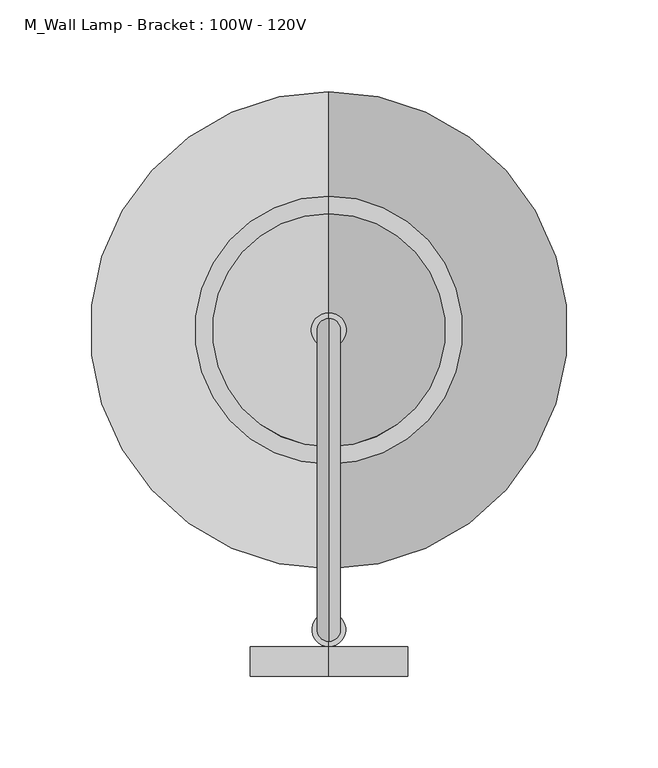
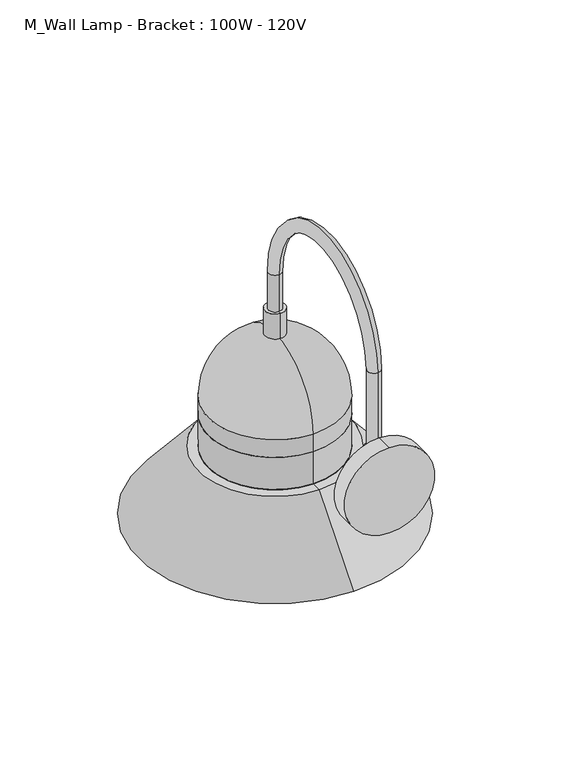
"""IFC4 building model written with IfcOpenShell, lengths in millimetres: light fixture geometry, M_Wall Lamp - Bracket : 100W - 120V."""

from ifc_helpers import new_model, si_unit, point, frame, frame_2d, origin, place, context, project, spatial, polyline, circle_curve, ellipse_curve, trimmed, segment, composite_curve, outline, extrude, source, transform, mapped, element, save
from ifc_brep_helpers import plane_surface, cylinder_surface, revolved_surface, advanced_brep


def m_wall_lamp_bracket_100w_120v_dad62bfa(model_context):
    return source(origin(), model_context, "Body", "SolidModel", [
        advanced_brep(
        [(-36.3556627, 94.0895413, 2413.7644247), (-36.3556627, 106.7895413, 2413.7644247), (-36.3556627, 106.7895413, 2334.6251468), (-36.3556627, 94.0895413, 2334.6251468), (-36.3556627, 270.2625, 2413.7644247), (-36.3556627, 257.5625, 2413.7644247), (-36.3556627, 270.2625, 2376.6250104), (-36.3556627, 257.5625, 2376.6250104), (-36.3556627, 91.2393793, 2334.6251468), (-36.3556627, 109.6397034, 2334.6251468), (-36.3556627, 109.6397034, 2307.1079598), (-36.3556627, 91.2393793, 2307.1079598), (-36.3556627, 100.4395413, 2297.9077977)],
        [
            (0, 1, circle_curve(frame((-36.3556627, 100.4395413, 2413.7644247), z_axis=(0.0, 0.0, -1.0), x_axis=(0.0, 1.0, 0.0)), 6.35)),
            (1, 2),
            (2, 3, circle_curve(frame((-36.3556627, 100.4395413, 2334.6251468), z_axis=(0.0, 0.0, 1.0), x_axis=(0.0, 1.0, 0.0)), 6.35)),
            (3, 0),
            (1, 0, circle_curve(frame((-36.3556627, 100.4395413, 2413.7644247), z_axis=(0.0, 0.0, -1.0), x_axis=(0.0, 1.0, 0.0)), 6.35)),
            (3, 2, circle_curve(frame((-36.3556627, 100.4395413, 2334.6251468), z_axis=(0.0, 0.0, 1.0), x_axis=(0.0, 1.0, 0.0)), 6.35)),
            (0, 4, circle_curve(frame((-36.3556627, 182.1760207, 2413.7644247), z_axis=(-1.0, 0.0, 0.0), x_axis=(0.0, -1.0, 0.0)), 88.0864793)),
            (4, 5, circle_curve(frame((-36.3556627, 263.9125, 2413.7644247), z_axis=(0.0, 0.0, 1.0), x_axis=(0.0, -1.0, 0.0)), 6.35)),
            (5, 1, circle_curve(frame((-36.3556627, 182.1760207, 2413.7644247), z_axis=(1.0, 0.0, 0.0), x_axis=(0.0, -1.0, 0.0)), 75.3864793)),
            (5, 4, circle_curve(frame((-36.3556627, 263.9125, 2413.7644247), z_axis=(0.0, 0.0, 1.0), x_axis=(0.0, -1.0, 0.0)), 6.35)),
            (6, 7, circle_curve(frame((-36.3556627, 263.9125, 2376.6250104), z_axis=(0.0, 0.0, -1.0), x_axis=(0.0, -1.0, 0.0)), 6.35)),
            (7, 6, circle_curve(frame((-36.3556627, 263.9125, 2376.6250104), z_axis=(0.0, 0.0, -1.0), x_axis=(0.0, -1.0, 0.0)), 6.35)),
            (4, 6),
            (7, 5),
            (8, 9, circle_curve(frame((-36.3556627, 100.4395413, 2334.6251468), z_axis=(0.0, 0.0, 1.0), x_axis=(0.0, -1.0, 0.0)), 9.2001621)),
            (9, 2),
            (3, 8),
            (9, 8, circle_curve(frame((-36.3556627, 100.4395413, 2334.6251468), z_axis=(0.0, 0.0, 1.0), x_axis=(0.0, -1.0, 0.0)), 9.2001621)),
            (10, 11, circle_curve(frame((-36.3556627, 100.4395413, 2307.1079598), z_axis=(0.0, 0.0, -1.0), x_axis=(0.0, -1.0, 0.0)), 9.2001621)),
            (11, 12, circle_curve(frame((-36.3556627, 100.4395413, 2307.1079598), z_axis=(1.0, 0.0, 0.0), x_axis=(0.0, -1.0, 0.0)), 9.2001621)),
            (12, 10, circle_curve(frame((-36.3556627, 100.4395413, 2307.1079598), z_axis=(1.0, 0.0, 0.0), x_axis=(0.0, 1.0, 0.0)), 9.2001621)),
            (11, 10, circle_curve(frame((-36.3556627, 100.4395413, 2307.1079598), z_axis=(0.0, 0.0, -1.0), x_axis=(0.0, -1.0, 0.0)), 9.2001621)),
            (8, 11),
            (10, 9),
        ],
        [
            cylinder_surface(frame((-36.3556627, 100.4395413, 2317.75), z_axis=(0.0, 0.0, -1.0), x_axis=(0.0, 1.0, 0.0)), 6.35),
            revolved_surface(trimmed(ellipse_curve(frame((-36.3556627, 100.4395413, 2413.7644247), z_axis=(0.0, 0.0, -1.0), x_axis=(0.0, 1.0, 0.0)), 6.35, 6.35), [point((-36.3556627, 94.0895413, 2413.7644247))], [point((-36.3556627, 106.7895413, 2413.7644247))], True, "CARTESIAN"), (-36.3556627, 182.1760207, 2413.7644247), (-1.0, 0.0, 0.0)),
            revolved_surface(trimmed(ellipse_curve(frame((-36.3556627, 100.4395413, 2413.7644247), z_axis=(0.0, 0.0, -1.0), x_axis=(0.0, 1.0, 0.0)), 6.35, 6.35), [point((-36.3556627, 106.7895413, 2413.7644247))], [point((-36.3556627, 94.0895413, 2413.7644247))], True, "CARTESIAN"), (-36.3556627, 182.1760207, 2413.7644247), (-1.0, 0.0, 0.0)),
            plane_surface(frame((-36.3556627, 257.5625, 2376.6250104), z_axis=(0.0, 0.0, -1.0), x_axis=(-1.0, 0.0, 0.0))),
            cylinder_surface(frame((-36.3556627, 263.9125, 2413.7644247), z_axis=(0.0, 0.0, 1.0), x_axis=(0.0, -1.0, 0.0)), 6.35),
            plane_surface(frame((-36.3556627, 100.4395413, 2334.6251468), z_axis=(0.0, 0.0, 1.0), x_axis=(0.0, -1.0, 0.0))),
            revolved_surface(trimmed(ellipse_curve(frame((-36.3556627, 100.4395413, 2307.1079598), z_axis=(-1.0, 0.0, 0.0), x_axis=(0.0, -1.0, 0.0)), 9.2001621, 9.2001621), [point((-36.3556627, 100.4395413, 2297.9077977))], [point((-36.3556627, 91.2393793, 2307.1079598))], True, "CARTESIAN"), (-36.3556627, 100.4395413, 2472.7469008), (0.0, 0.0, 1.0)),
            cylinder_surface(frame((-36.3556627, 100.4395413, 2472.7469008), z_axis=(0.0, 0.0, 1.0), x_axis=(0.0, -1.0, 0.0)), 9.2001621),
        ],
        [
            (0, [[1, 2, 3, 4]]),
            (0, [[5, -4, 6, -2]]),
            (1, [[-1, 7, 8, 9]]),
            (2, [[-5, -9, 10, -7]]),
            (3, [[11, 12]]),
            (4, [[-8, 13, -12, 14]]),
            (4, [[-10, -14, -11, -13]]),
            (5, [[15, 16, -6, 17]]),
            (5, [[18, -17, -3, -16]]),
            (6, [[19, 20, 21]]),
            (6, [[-20, 22, -21]]),
            (7, [[-15, 23, -19, 24]]),
            (7, [[-18, -24, -22, -23]]),
        ],
    ),
        extrude(outline(composite_curve([segment(trimmed(circle_curve(frame_2d((2307.1079598, -36.3556627)), 43.0116676), [point((2264.0962922, -36.3556627))], [point((2350.1196273, -36.3556627))], False, "CARTESIAN"), True, "CONTINUOUS"), segment(trimmed(circle_curve(frame_2d((2307.1079598, -36.3556627)), 43.0116676), [point((2350.1196273, -36.3556627))], [point((2264.0962922, -36.3556627))], False, "CARTESIAN"), True, "CONTINUOUS")], self_intersect=False)), frame((0.0, 75.0, 0.0), z_axis=(0.0, 1.0, 0.0), x_axis=(0.0, 0.0, 1.0)), (0.0, 0.0, 1.0), 16.2393793),
        advanced_brep(
        [(-36.3556627, 327.4125, 2237.5701357), (-36.3556627, 200.4125, 2237.5701357), (-36.3556627, 200.4125, 2197.1), (-36.3556627, 327.4125, 2197.1), (-36.3556627, 263.9125, 2237.5701357), (-36.3556627, 263.9125, 2133.6)],
        [
            (0, 1, circle_curve(frame((-36.3556627, 263.9125, 2237.5701357), z_axis=(0.0, 0.0, -1.0), x_axis=(0.0, -1.0, 0.0)), 63.5)),
            (1, 2),
            (2, 3, circle_curve(frame((-36.3556627, 263.9125, 2197.1), z_axis=(0.0, 0.0, 1.0), x_axis=(0.0, -1.0, 0.0)), 63.5)),
            (3, 0),
            (1, 0, circle_curve(frame((-36.3556627, 263.9125, 2237.5701357), z_axis=(0.0, 0.0, -1.0), x_axis=(0.0, -1.0, 0.0)), 63.5)),
            (3, 2, circle_curve(frame((-36.3556627, 263.9125, 2197.1), z_axis=(0.0, 0.0, 1.0), x_axis=(0.0, -1.0, 0.0)), 63.5)),
            (4, 1),
            (0, 4),
            (2, 5, circle_curve(frame((-36.3556627, 263.9125, 2197.1), z_axis=(1.0, 0.0, 0.0), x_axis=(0.0, -1.0, 0.0)), 63.5)),
            (5, 3, circle_curve(frame((-36.3556627, 263.9125, 2197.1), z_axis=(1.0, 0.0, 0.0), x_axis=(0.0, 1.0, 0.0)), 63.5)),
        ],
        [
            cylinder_surface(frame((-36.3556627, 263.9125, -914.4), z_axis=(0.0, 0.0, 1.0), x_axis=(0.0, -1.0, 0.0)), 63.5),
            plane_surface(frame((-36.3556627, 263.9125, 2237.5701357), z_axis=(0.0, 0.0, 1.0), x_axis=(0.0, -1.0, 0.0))),
            revolved_surface(trimmed(ellipse_curve(frame((-36.3556627, 263.9125, 2197.1), z_axis=(-1.0, 0.0, 0.0), x_axis=(0.0, -1.0, 0.0)), 63.5, 63.5), [point((-36.3556627, 263.9125, 2133.6))], [point((-36.3556627, 200.4125, 2197.1))], True, "CARTESIAN"), (-36.3556627, 263.9125, -914.4), (0.0, 0.0, 1.0)),
        ],
        [
            (0, [[1, 2, 3, 4]]),
            (0, [[5, -4, 6, -2]]),
            (1, [[7, -1, 8]]),
            (1, [[-8, -5, -7]]),
            (2, [[-3, 9, 10]]),
            (2, [[-6, -10, -9]]),
        ],
    ),
        advanced_brep(
        [(-36.3556627, 327.4125, 2269.8272766), (-36.3556627, 200.4125, 2269.8272766), (-36.3556627, 200.4125, 2237.5701357), (-36.3556627, 327.4125, 2237.5701357), (-36.3556627, 324.2375, 2269.8272766), (-36.3556627, 203.5875, 2269.8272766), (-36.3556627, 324.2375, 2234.3951357), (-36.3556627, 203.5875, 2234.3951357), (-36.3556627, 335.6669546, 2234.3951357), (-36.3556627, 192.1580454, 2234.3951357), (-36.3556627, 389.947628, 2169.5241129), (-36.3556627, 137.877372, 2169.5241129), (-36.3556627, 394.0875, 2169.5241129), (-36.3556627, 133.7375, 2169.5241129), (-36.3556627, 337.1501529, 2237.5701357), (-36.3556627, 190.6748471, 2237.5701357)],
        [
            (0, 1, circle_curve(frame((-36.3556627, 263.9125, 2269.8272766), z_axis=(0.0, 0.0, -1.0), x_axis=(0.0, -1.0, 0.0)), 63.5)),
            (1, 2),
            (2, 3, circle_curve(frame((-36.3556627, 263.9125, 2237.5701357), z_axis=(0.0, 0.0, 1.0), x_axis=(0.0, -1.0, 0.0)), 63.5)),
            (3, 0),
            (1, 0, circle_curve(frame((-36.3556627, 263.9125, 2269.8272766), z_axis=(0.0, 0.0, -1.0), x_axis=(0.0, -1.0, 0.0)), 63.5)),
            (3, 2, circle_curve(frame((-36.3556627, 263.9125, 2237.5701357), z_axis=(0.0, 0.0, 1.0), x_axis=(0.0, -1.0, 0.0)), 63.5)),
            (4, 5, circle_curve(frame((-36.3556627, 263.9125, 2269.8272766), z_axis=(0.0, 0.0, -1.0), x_axis=(0.0, -1.0, 0.0)), 60.325)),
            (5, 1),
            (0, 4),
            (5, 4, circle_curve(frame((-36.3556627, 263.9125, 2269.8272766), z_axis=(0.0, 0.0, -1.0), x_axis=(0.0, -1.0, 0.0)), 60.325)),
            (6, 7, circle_curve(frame((-36.3556627, 263.9125, 2234.3951357), z_axis=(0.0, 0.0, -1.0), x_axis=(0.0, -1.0, 0.0)), 60.325)),
            (7, 5),
            (4, 6),
            (7, 6, circle_curve(frame((-36.3556627, 263.9125, 2234.3951357), z_axis=(0.0, 0.0, -1.0), x_axis=(0.0, -1.0, 0.0)), 60.325)),
            (8, 9, circle_curve(frame((-36.3556627, 263.9125, 2234.3951357), z_axis=(0.0, 0.0, -1.0), x_axis=(0.0, -1.0, 0.0)), 71.7544546)),
            (9, 7),
            (6, 8),
            (9, 8, circle_curve(frame((-36.3556627, 263.9125, 2234.3951357), z_axis=(0.0, 0.0, -1.0), x_axis=(0.0, -1.0, 0.0)), 71.7544546)),
            (10, 11, circle_curve(frame((-36.3556627, 263.9125, 2169.5241129), z_axis=(0.0, 0.0, -1.0), x_axis=(0.0, -1.0, 0.0)), 126.035128)),
            (11, 9),
            (8, 10),
            (11, 10, circle_curve(frame((-36.3556627, 263.9125, 2169.5241129), z_axis=(0.0, 0.0, -1.0), x_axis=(0.0, -1.0, 0.0)), 126.035128)),
            (12, 13, circle_curve(frame((-36.3556627, 263.9125, 2169.5241129), z_axis=(0.0, 0.0, -1.0), x_axis=(0.0, -1.0, 0.0)), 130.175)),
            (13, 11),
            (10, 12),
            (13, 12, circle_curve(frame((-36.3556627, 263.9125, 2169.5241129), z_axis=(0.0, 0.0, -1.0), x_axis=(0.0, -1.0, 0.0)), 130.175)),
            (14, 15, circle_curve(frame((-36.3556627, 263.9125, 2237.5701357), z_axis=(0.0, 0.0, -1.0), x_axis=(0.0, -1.0, 0.0)), 73.2376529)),
            (15, 13),
            (12, 14),
            (15, 14, circle_curve(frame((-36.3556627, 263.9125, 2237.5701357), z_axis=(0.0, 0.0, -1.0), x_axis=(0.0, -1.0, 0.0)), 73.2376529)),
            (2, 15),
            (14, 3),
        ],
        [
            cylinder_surface(frame((-36.3556627, 263.9125, -914.4), z_axis=(0.0, 0.0, 1.0), x_axis=(0.0, -1.0, 0.0)), 63.5),
            plane_surface(frame((-36.3556627, 263.9125, 2269.8272766), z_axis=(0.0, 0.0, 1.0), x_axis=(0.0, -1.0, 0.0))),
            revolved_surface(polyline([(-36.3556627, 203.58750000000003, 2269.8272766), (-36.3556627, 203.58750000000003, 2234.3951357)]), (-36.3556627, 263.9125, -914.4), (0.0, 0.0, 1.0)),
            plane_surface(frame((-36.3556627, 263.9125, 2234.3951357), z_axis=(0.0, 0.0, -1.0), x_axis=(0.0, -1.0, 0.0))),
            revolved_surface(polyline([(-36.3556627, 192.1580454, 2234.3951357), (-36.3556627, 137.877372, 2169.5241129)]), (-36.3556627, 263.9125, -914.4), (0.0, 0.0, 1.0)),
            plane_surface(frame((-36.3556627, 263.9125, 2169.5241129), z_axis=(0.0, 0.0, -1.0), x_axis=(0.0, -1.0, 0.0))),
            revolved_surface(polyline([(-36.3556627, 133.7375, 2169.5241129), (-36.3556627, 190.6748471, 2237.5701357)]), (-36.3556627, 263.9125, -914.4), (0.0, 0.0, 1.0)),
            plane_surface(frame((-36.3556627, 263.9125, 2237.5701357), z_axis=(0.0, 0.0, 1.0), x_axis=(0.0, -1.0, 0.0))),
        ],
        [
            (0, [[1, 2, 3, 4]]),
            (0, [[5, -4, 6, -2]]),
            (1, [[7, 8, -1, 9]]),
            (1, [[10, -9, -5, -8]]),
            (2, [[11, 12, -7, 13]]),
            (2, [[14, -13, -10, -12]]),
            (3, [[15, 16, -11, 17]]),
            (3, [[18, -17, -14, -16]]),
            (4, [[19, 20, -15, 21]]),
            (4, [[22, -21, -18, -20]]),
            (5, [[23, 24, -19, 25]]),
            (5, [[26, -25, -22, -24]]),
            (6, [[27, 28, -23, 29]]),
            (6, [[30, -29, -26, -28]]),
            (7, [[-3, 31, -27, 32]]),
            (7, [[-6, -32, -30, -31]]),
        ],
    ),
        advanced_brep(
        [(-36.3556627, 327.4125, 2287.7818991), (-36.3556627, 200.4125, 2287.7818991), (-36.3556627, 200.4125, 2269.8272766), (-36.3556627, 327.4125, 2269.8272766), (-36.3556627, 263.9125, 2351.2818991), (-36.3556627, 263.9125, 2269.8272766)],
        [
            (0, 1, circle_curve(frame((-36.3556627, 263.9125, 2287.7818991), z_axis=(0.0, 0.0, -1.0), x_axis=(0.0, -1.0, 0.0)), 63.5)),
            (1, 2),
            (2, 3, circle_curve(frame((-36.3556627, 263.9125, 2269.8272766), z_axis=(0.0, 0.0, 1.0), x_axis=(0.0, -1.0, 0.0)), 63.5)),
            (3, 0),
            (1, 0, circle_curve(frame((-36.3556627, 263.9125, 2287.7818991), z_axis=(0.0, 0.0, -1.0), x_axis=(0.0, -1.0, 0.0)), 63.5)),
            (3, 2, circle_curve(frame((-36.3556627, 263.9125, 2269.8272766), z_axis=(0.0, 0.0, 1.0), x_axis=(0.0, -1.0, 0.0)), 63.5)),
            (4, 1, circle_curve(frame((-36.3556627, 263.9125, 2287.7818991), z_axis=(1.0, 0.0, 0.0), x_axis=(0.0, -1.0, 0.0)), 63.5)),
            (0, 4, circle_curve(frame((-36.3556627, 263.9125, 2287.7818991), z_axis=(1.0, 0.0, 0.0), x_axis=(0.0, 1.0, 0.0)), 63.5)),
            (2, 5),
            (5, 3),
        ],
        [
            cylinder_surface(frame((-36.3556627, 263.9125, -914.4), z_axis=(0.0, 0.0, 1.0), x_axis=(0.0, -1.0, 0.0)), 63.5),
            revolved_surface(trimmed(ellipse_curve(frame((-36.3556627, 263.9125, 2287.7818991), z_axis=(-1.0, 0.0, 0.0), x_axis=(0.0, -1.0, 0.0)), 63.5, 63.5), [point((-36.3556627, 200.4125, 2287.7818991))], [point((-36.3556627, 263.9125, 2351.2818991))], True, "CARTESIAN"), (-36.3556627, 263.9125, -914.4), (0.0, 0.0, 1.0)),
            plane_surface(frame((-36.3556627, 263.9125, 2269.8272766), z_axis=(0.0, 0.0, -1.0), x_axis=(0.0, -1.0, 0.0))),
        ],
        [
            (0, [[1, 2, 3, 4]]),
            (0, [[5, -4, 6, -2]]),
            (1, [[7, -1, 8]]),
            (1, [[-8, -5, -7]]),
            (2, [[-3, 9, 10]]),
            (2, [[-6, -10, -9]]),
        ],
    ),
        advanced_brep(
        [(-36.3556627, 273.4375, 2351.5511541), (-36.3556627, 254.3875, 2351.5511541), (-36.3556627, 263.9125, 2351.5511541), (-36.3556627, 273.4375, 2376.6250104), (-36.3556627, 254.3875, 2376.6250104), (-36.3556627, 263.9125, 2376.6250104)],
        [
            (0, 1, circle_curve(frame((-36.3556627, 263.9125, 2351.5511541), z_axis=(0.0, 0.0, -1.0), x_axis=(0.0, -1.0, 0.0)), 9.525)),
            (1, 2),
            (2, 0),
            (1, 0, circle_curve(frame((-36.3556627, 263.9125, 2351.5511541), z_axis=(0.0, 0.0, -1.0), x_axis=(0.0, -1.0, 0.0)), 9.525)),
            (3, 4, circle_curve(frame((-36.3556627, 263.9125, 2376.6250104), z_axis=(0.0, 0.0, -1.0), x_axis=(0.0, -1.0, 0.0)), 9.525)),
            (4, 1),
            (0, 3),
            (4, 3, circle_curve(frame((-36.3556627, 263.9125, 2376.6250104), z_axis=(0.0, 0.0, -1.0), x_axis=(0.0, -1.0, 0.0)), 9.525)),
            (5, 4),
            (3, 5),
        ],
        [
            plane_surface(frame((-36.3556627, 263.9125, 2351.5511541), z_axis=(0.0, 0.0, -1.0), x_axis=(0.0, -1.0, 0.0))),
            cylinder_surface(frame((-36.3556627, 263.9125, -914.4), z_axis=(0.0, 0.0, 1.0), x_axis=(0.0, -1.0, 0.0)), 9.525),
            plane_surface(frame((-36.3556627, 263.9125, 2376.6250104), z_axis=(0.0, 0.0, 1.0), x_axis=(0.0, -1.0, 0.0))),
        ],
        [
            (0, [[1, 2, 3]]),
            (0, [[4, -3, -2]]),
            (1, [[5, 6, -1, 7]]),
            (1, [[8, -7, -4, -6]]),
            (2, [[9, -5, 10]]),
            (2, [[-10, -8, -9]]),
        ],
    ),
    ])


if __name__ == "__main__":
    model = new_model("IFC4")
    model_context = context("Model", 3, world=origin())
    ifc_project = project(units=[si_unit("LENGTHUNIT", "METRE", prefix="MILLI")], contexts=[model_context])
    site = spatial("IfcSite", under=ifc_project)
    building = spatial("IfcBuilding", under=site)
    placement = place(None, origin())
    m_wall_lamp_bracket_100w_120v_shape = m_wall_lamp_bracket_100w_120v_dad62bfa(model_context)
    element("IfcLightFixture", 1, ObjectType="M_Wall Lamp - Bracket : 100W - 120V", at=placement, inside=building, context=model_context, shape_type="MappedRepresentation", body=[
        mapped(m_wall_lamp_bracket_100w_120v_shape, transform((0.0, 0.0, 0.0), x_axis=(1.0, 0.0, 0.0), y_axis=(0.0, 1.0, 0.0), z_axis=(0.0, 0.0, 1.0))),
    ])
    save(model, "model.ifc")
